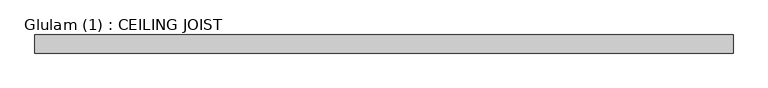
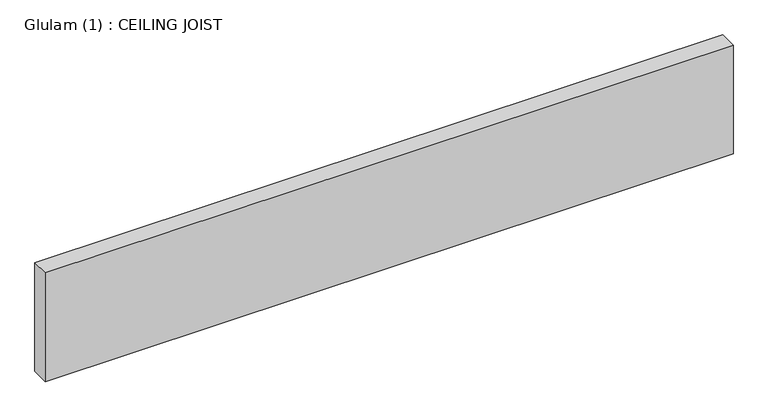
"""IFC4 building model written with IfcOpenShell, lengths in millimetres: beam geometry, Glulam (1) : CEILING JOIST."""

from ifc_helpers import new_model, si_unit, frame, origin, place, context, project, spatial, polyline, outline, extrude, source, transform, mapped, element, save


def glulam_1_ceiling_joist_4bc89869(model_context):
    return source(origin(), model_context, "Body", "SweptSolid", [
        extrude(outline(polyline([(880.0, 22.5), (880.0, -22.5), (-856.0, -22.5), (-856.0, 22.5), (880.0, 22.5)])), frame((0.0, 0.0, -145.0), z_axis=(0.0, 0.0, 1.0), x_axis=(1.0, 0.0, 0.0)), (0.0, 0.0, 1.0), 290.0),
    ])


if __name__ == "__main__":
    model = new_model("IFC4")
    model_context = context("Model", 3, world=origin())
    ifc_project = project(units=[si_unit("LENGTHUNIT", "METRE", prefix="MILLI")], contexts=[model_context])
    site = spatial("IfcSite", under=ifc_project)
    building = spatial("IfcBuilding", under=site)
    placement = place(None, origin())
    glulam_1_ceiling_joist_shape = glulam_1_ceiling_joist_4bc89869(model_context)
    element("IfcBeam", 1, ObjectType="Glulam (1) : CEILING JOIST", at=placement, inside=building, context=model_context, shape_type="MappedRepresentation", body=[
        mapped(glulam_1_ceiling_joist_shape, transform((0.0, 0.0, 0.0), x_axis=(1.0, 0.0, 0.0), y_axis=(0.0, 1.0, 0.0), z_axis=(0.0, 0.0, 1.0))),
    ])
    save(model, "model.ifc")
